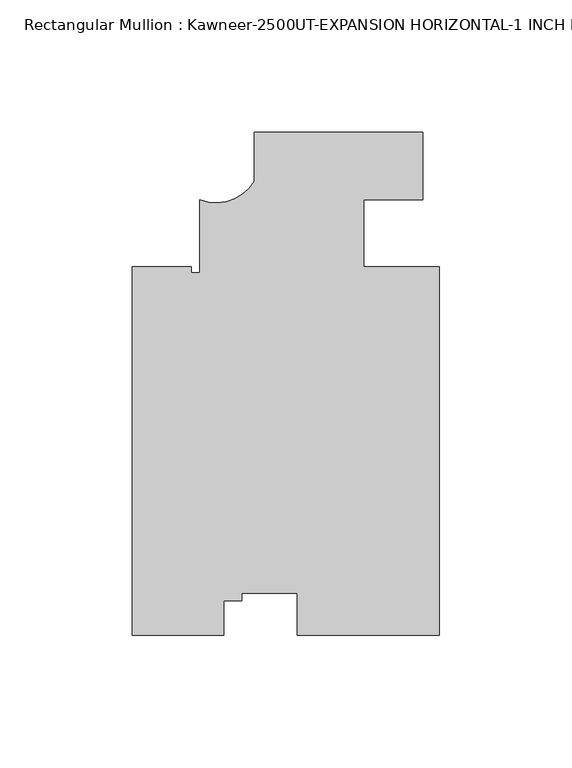
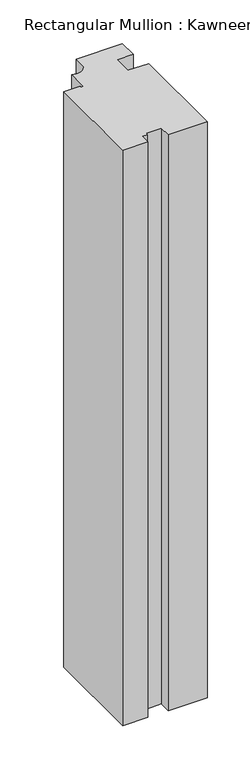
"""IFC4 building model written with IfcOpenShell, lengths in millimetres: member geometry, Rectangular Mullion : Kawneer-2500UT-EXPANSION HORIZONTAL-1 INCH INFILL-SET 6."""

from ifc_helpers import new_model, si_unit, point, frame, frame_2d, origin, place, context, project, spatial, polyline, circle_curve, trimmed, segment, composite_curve, outline, extrude, source, transform, mapped, element, save


def rectangular_mullion_kawneer_2500ut_expansion_horizontal_1_f0e2dd9f(model_context):
    return source(origin(), model_context, "Body", "SweptSolid", [
        extrude(outline(composite_curve([segment(polyline([(0.0652766, -50.819541), (0.0652766, -190.0110885), (-53.5497694, -190.0110885), (-53.5497694, -174.112684), (-74.561792, -174.112684), (-74.561792, -176.9600543), (-81.4197917, -176.9600543), (-81.4197917, -190.0038535), (-115.9109027, -190.0038535), (-115.9109027, -50.8195423), (-93.6205795, -50.8190885), (-93.6205332, -53.0978535), (-90.4456462, -53.0978535), (-90.4456462, -25.4190885)]), True, "CONTINUOUS"), segment(trimmed(circle_curve(frame_2d((-84.190706, -9.8860086)), 16.7451739), [point((-90.4456462, -25.4190885))], [point((-69.7847234, -18.4223144))], True, "CARTESIAN"), True, "CONTINUOUS"), segment(polyline([(-69.7847234, -18.4223144), (-69.7847234, -0.0190885), (-6.2847234, -0.0190885), (-6.2847234, -25.4082203)]), True, "CONTINUOUS"), segment(trimmed(circle_curve(frame_2d((-10.5854752, -486.4269082)), 461.0387479), [point((-6.2847234, -25.4082203))], [point((-28.5097234, -25.7367212))], True, "CARTESIAN"), True, "CONTINUOUS"), segment(polyline([(-28.5097234, -25.7367212), (-28.5097234, -50.8189592), (0.0652766, -50.819541)]), True, "CONTINUOUS")], self_intersect=False)), frame((0.0, 0.0, -831.6331251), z_axis=(0.0, 0.0, 1.0), x_axis=(1.0, 0.0, 0.0)), (0.0, 0.0, 1.0), 831.6331251),
    ])


if __name__ == "__main__":
    model = new_model("IFC4")
    model_context = context("Model", 3, world=origin())
    ifc_project = project(units=[si_unit("LENGTHUNIT", "METRE", prefix="MILLI")], contexts=[model_context])
    site = spatial("IfcSite", under=ifc_project)
    building = spatial("IfcBuilding", under=site)
    placement = place(None, origin())
    rectangular_mullion_kawneer_2500ut_expansion_horizontal_1_shape = rectangular_mullion_kawneer_2500ut_expansion_horizontal_1_f0e2dd9f(model_context)
    element("IfcMember", 1, ObjectType="Rectangular Mullion : Kawneer-2500UT-EXPANSION HORIZONTAL-1 INCH INFILL-SET 6", at=placement, inside=building, context=model_context, shape_type="MappedRepresentation", body=[
        mapped(rectangular_mullion_kawneer_2500ut_expansion_horizontal_1_shape, transform((0.0, 0.0, 0.0), x_axis=(1.0, 0.0, 0.0), y_axis=(0.0, 1.0, 0.0), z_axis=(0.0, 0.0, 1.0))),
    ])
    save(model, "model.ifc")
